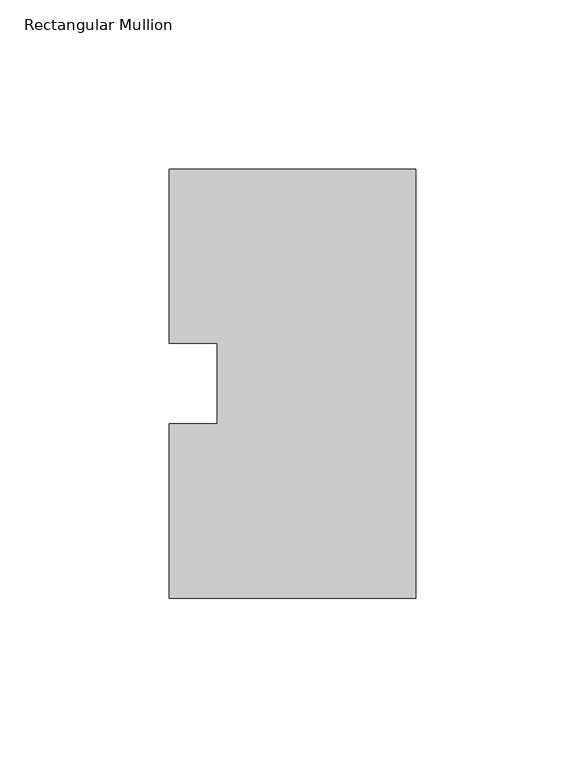
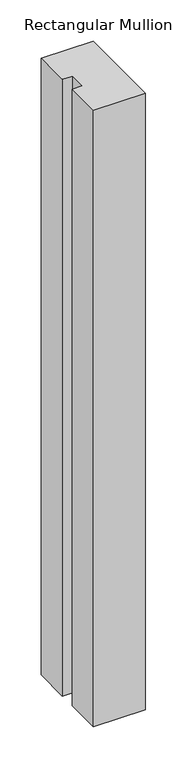
"""IFC4 building model written with IfcOpenShell, lengths in millimetres: member geometry, Rectangular Mullion."""

from ifc_helpers import new_model, si_unit, frame, origin, place, context, project, spatial, polyline, outline, extrude, source, transform, mapped, element, save


def rectangular_mullion_30e2f668(model_context):
    return source(origin(), model_context, "Body", "SweptSolid", [
        extrude(outline(polyline([(0.0, 127.00635), (0.0, 0.00635), (-73.025, 0.00635), (-73.025, 51.60645), (-58.7375, 51.60645), (-58.7375, 75.40625), (-73.025, 75.40625), (-73.025, 127.00635), (0.0, 127.00635)])), frame((0.0, 0.0, -914.4), z_axis=(0.0, 0.0, 1.0), x_axis=(1.0, 0.0, 0.0)), (0.0, 0.0, 1.0), 914.4),
    ])


if __name__ == "__main__":
    model = new_model("IFC4")
    model_context = context("Model", 3, world=origin())
    ifc_project = project(units=[si_unit("LENGTHUNIT", "METRE", prefix="MILLI")], contexts=[model_context])
    site = spatial("IfcSite", under=ifc_project)
    building = spatial("IfcBuilding", under=site)
    placement = place(None, origin())
    rectangular_mullion_shape = rectangular_mullion_30e2f668(model_context)
    element("IfcMember", 1, ObjectType="Rectangular Mullion", at=placement, inside=building, context=model_context, shape_type="MappedRepresentation", body=[
        mapped(rectangular_mullion_shape, transform((0.0, 0.0, 0.0), x_axis=(1.0, 0.0, 0.0), y_axis=(0.0, 1.0, 0.0), z_axis=(0.0, 0.0, 1.0))),
    ])
    save(model, "model.ifc")
